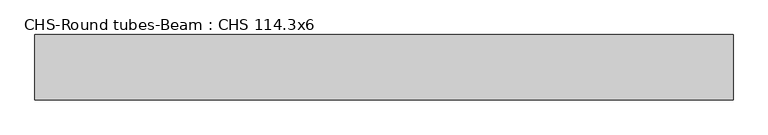
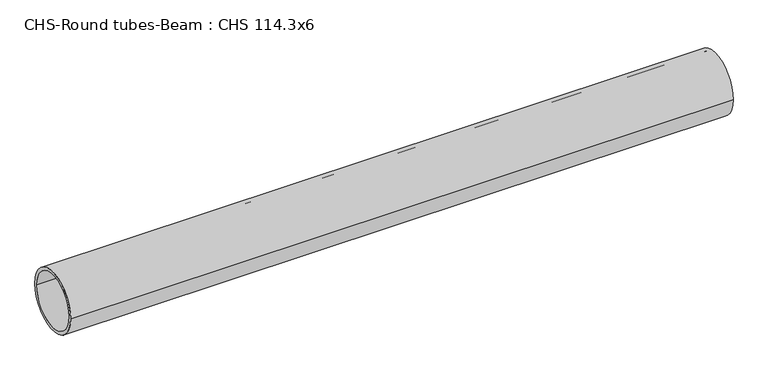
"""IFC4 building model written with IfcOpenShell, lengths in millimetres: beam geometry, CHS-Round tubes-Beam : CHS 114.3x6."""

import ifcopenshell
import ifcopenshell.guid

model = None  # the IFC model being written
_history = None  # IfcOwnerHistory: only IFC2X3 demands one
_inside = {}  # id of a spatial element -> (the spatial element, [elements in it])
_under = {}  # id of a project, library or spatial element -> (it, [spatial elements below it])
_declared = {}  # id of a project -> (the project, [libraries it declares])
_typed = {}  # id of a type object -> (the type object, [elements of that type])
_made_of = {}  # id of a material, layer set ... -> (it, [elements and type objects made of it])


def new_model(schema):
    """Start an empty IFC model of exactly this schema.

    Asked for "IFC4X3", IfcOpenShell would pick the latest addendum, in which some entities
    have other attributes; the version numbers below select the first issue.
    IFC2X3 requires an IfcOwnerHistory on every rooted entity: one is made here for all.
    """
    global model, _history
    if schema == "IFC4X3":
        model = ifcopenshell.file(schema_version=(4, 3, 0, 0))
    else:
        model = ifcopenshell.file(schema=schema)
    _inside.clear()
    _under.clear()
    _declared.clear()
    _typed.clear()
    _made_of.clear()
    _history = None
    if model.schema == "IFC2X3":
        org = make("IfcOrganization", Name="unknown")
        user = make(
            "IfcPersonAndOrganization",
            ThePerson=make("IfcPerson", FamilyName="unknown"),
            TheOrganization=org,
        )
        app = make(
            "IfcApplication",
            ApplicationDeveloper=org,
            Version="unknown",
            ApplicationFullName="unknown",
            ApplicationIdentifier="unknown",
        )
        _history = make(
            "IfcOwnerHistory",
            OwningUser=user,
            OwningApplication=app,
            ChangeAction="ADDED",
            CreationDate=0,
        )
    return model


def make(cls, **values):
    """One entity of the class cls with the attributes given. An attribute that is None is left unset."""
    return model.create_entity(
        cls, **{name: value for name, value in values.items() if value is not None}
    )


def rooted(cls, **values):
    """An entity with a GlobalId (a new one), such as an element, a storey or a relation."""
    return make(cls, GlobalId=ifcopenshell.guid.new(), OwnerHistory=_history, **values)


def si_unit(unit_type, name, prefix=None):
    """IfcSIUnit, for example si_unit("LENGTHUNIT", "METRE", prefix="MILLI")."""
    return make("IfcSIUnit", UnitType=unit_type, Prefix=prefix, Name=name)


def assignment(units):
    """IfcUnitAssignment: the units of a project."""
    return None if units is None else make("IfcUnitAssignment", Units=units)


def point(xyz):
    """IfcCartesianPoint."""
    return None if xyz is None else make("IfcCartesianPoint", Coordinates=xyz)


def direction(xyz):
    """IfcDirection."""
    return None if xyz is None else make("IfcDirection", DirectionRatios=xyz)


def frame(location, z_axis=None, x_axis=None):
    """IfcAxis2Placement3D, a coordinate frame: its origin and axes. An axis left out is left unset."""
    return make(
        "IfcAxis2Placement3D",
        Location=point(location),
        Axis=direction(z_axis),
        RefDirection=direction(x_axis),
    )


def frame_2d(location, x_axis=None):
    """IfcAxis2Placement2D, a coordinate frame in the plane: its origin and x axis."""
    return make(
        "IfcAxis2Placement2D", Location=point(location), RefDirection=direction(x_axis)
    )


def origin():
    """The frame at (0, 0, 0) with its axes left unset."""
    return frame((0.0, 0.0, 0.0))


def origin_2d():
    """The frame at (0, 0) in the plane with its x axis left unset."""
    return frame_2d((0.0, 0.0))


def place(relative_to, where):
    """IfcLocalPlacement: puts the frame where relative to a parent placement (None: the world)."""
    return make(
        "IfcLocalPlacement", PlacementRelTo=relative_to, RelativePlacement=where
    )


def context(
    kind, dimensions, precision=None, world=None, true_north=None, identifier=None
):
    """IfcGeometricRepresentationContext, for example the 3D "Model" context."""
    return make(
        "IfcGeometricRepresentationContext",
        ContextIdentifier=identifier,
        ContextType=kind,
        CoordinateSpaceDimension=dimensions,
        Precision=precision,
        WorldCoordinateSystem=world,
        TrueNorth=true_north,
    )


def project(units=None, contexts=None):
    """IfcProject with its units and contexts."""
    return rooted(
        "IfcProject",
        Name="project",
        RepresentationContexts=contexts,
        UnitsInContext=assignment(units),
    )


def spatial(cls, under=None, at=None, **own):
    """A site, building, storey or space (cls), placed at a placement, below another one or the project."""
    s = rooted(cls, ObjectPlacement=at, **own)
    if under is not None:
        _under.setdefault(under.id(), (under, []))[1].append(s)
    return s


def circle_curve(where, radius):
    """IfcCircle in the frame where."""
    return make("IfcCircle", Position=where, Radius=radius)


def trimmed(basis, trim1, trim2, sense, master):
    """IfcTrimmedCurve: the piece of a basis curve between two trims."""
    return make(
        "IfcTrimmedCurve",
        BasisCurve=basis,
        Trim1=trim1,
        Trim2=trim2,
        SenseAgreement=sense,
        MasterRepresentation=master,
    )


def segment(curve, same_sense, transition):
    """IfcCompositeCurveSegment."""
    return make(
        "IfcCompositeCurveSegment",
        Transition=transition,
        SameSense=same_sense,
        ParentCurve=curve,
    )


def composite_curve(segments, self_intersect=None):
    """IfcCompositeCurve: segments joined end to end."""
    return make("IfcCompositeCurve", Segments=segments, SelfIntersect=self_intersect)


def outline(outer, holes=None, kind="AREA"):
    """IfcArbitraryClosedProfileDef: a profile drawn as a closed curve; with holes, ...WithVoids."""
    if holes is None:
        return make("IfcArbitraryClosedProfileDef", ProfileType=kind, OuterCurve=outer)
    return make(
        "IfcArbitraryProfileDefWithVoids",
        ProfileType=kind,
        OuterCurve=outer,
        InnerCurves=holes,
    )


def extrude(swept, where, along, depth):
    """IfcExtrudedAreaSolid: the profile swept, set in the frame where, extruded along a direction by depth."""
    return make(
        "IfcExtrudedAreaSolid",
        SweptArea=swept,
        Position=where,
        ExtrudedDirection=direction(along),
        Depth=depth,
    )


def shape(context_of_items, identifier, shape_type, items):
    """IfcShapeRepresentation: the items that make up one representation, for example the "Body"."""
    return make(
        "IfcShapeRepresentation",
        ContextOfItems=context_of_items,
        RepresentationIdentifier=identifier,
        RepresentationType=shape_type,
        Items=items,
    )


def source(mapping_origin, context_of_items, identifier, shape_type, items):
    """IfcRepresentationMap: a shape defined once, which mapped items show again and again."""
    return make(
        "IfcRepresentationMap",
        MappingOrigin=mapping_origin,
        MappedRepresentation=shape(context_of_items, identifier, shape_type, items),
    )


def transform(
    local_origin,
    x_axis=None,
    y_axis=None,
    z_axis=None,
    scale=None,
    scale2=None,
    scale3=None,
    uniform=True,
):
    """IfcCartesianTransformationOperator3D, or its non-uniform kind. x_axis, y_axis, z_axis: its Axis1, 2, 3."""
    if uniform:
        return make(
            "IfcCartesianTransformationOperator3D",
            Axis1=direction(x_axis),
            Axis2=direction(y_axis),
            LocalOrigin=point(local_origin),
            Scale=scale,
            Axis3=direction(z_axis),
        )
    return make(
        "IfcCartesianTransformationOperator3DnonUniform",
        Axis1=direction(x_axis),
        Axis2=direction(y_axis),
        LocalOrigin=point(local_origin),
        Scale=scale,
        Axis3=direction(z_axis),
        Scale2=scale2,
        Scale3=scale3,
    )


def mapped(mapping_source, mapping_target):
    """IfcMappedItem: shows the shape of a source again, moved by a transform."""
    return make(
        "IfcMappedItem", MappingSource=mapping_source, MappingTarget=mapping_target
    )


def made_of(thing, what):
    """Note that an element or type object is made of a material, layer set ...; save() writes the relation."""
    if what is not None:
        _made_of.setdefault(what.id(), (what, []))[1].append(thing)
    return thing


def element(
    cls,
    number,
    at=None,
    inside=None,
    cuts=None,
    type_object=None,
    material=None,
    context=None,
    identifier="Body",
    shape_type=None,
    held_by="IfcProductDefinitionShape",
    body=None,
    shapes=None,
    **own,
):
    """One element of the class cls, such as IfcWall. Its Tag is "e" and its number.

    at: its placement. inside: the storey or other place that contains it. cuts: it is an
    opening in that element (IfcRelVoidsElement). A single representation is given by context,
    identifier, shape_type and body (its items); several are given by shapes. held_by: the class
    of the entity that holds the representations. save() writes the other relations.
    """
    e = rooted(cls, Tag="e%d" % number, ObjectPlacement=at, **own)
    if body is not None:
        shapes = [shape(context, identifier, shape_type, body)]
    if shapes is not None:
        e.Representation = make(held_by, Representations=shapes)
    if inside is not None:
        _inside.setdefault(inside.id(), (inside, []))[1].append(e)
    if cuts is not None:
        rooted(
            "IfcRelVoidsElement", RelatingBuildingElement=cuts, RelatedOpeningElement=e
        )
    if type_object is not None:
        _typed.setdefault(type_object.id(), (type_object, []))[1].append(e)
    return made_of(e, material)


def aggregate(whole, parts):
    """IfcRelAggregates: a whole, such as a stair, and the parts it consists of."""
    return rooted("IfcRelAggregates", RelatingObject=whole, RelatedObjects=parts)


def save(model, path):
    """Write the relations noted so far, then the file.

    IfcRelAggregates (storeys below a building ...), IfcRelContainedInSpatialStructure (elements
    in a storey), IfcRelDefinesByType, IfcRelAssociatesMaterial and IfcRelDeclares: one each for
    every whole, place, type object, material and project.
    """
    for whole, parts in _under.values():
        aggregate(whole, parts)
    for where, things in _inside.values():
        rooted(
            "IfcRelContainedInSpatialStructure",
            RelatedElements=things,
            RelatingStructure=where,
        )
    for kind, things in _typed.values():
        rooted("IfcRelDefinesByType", RelatedObjects=things, RelatingType=kind)
    for what, things in _made_of.values():
        rooted("IfcRelAssociatesMaterial", RelatedObjects=things, RelatingMaterial=what)
    for by, libraries in _declared.values():
        rooted("IfcRelDeclares", RelatingContext=by, RelatedDefinitions=libraries)
    model.write(path)


def chs_round_tubes_beam_chs_114_3x6_69ccb03f(model_context):
    return source(origin(), model_context, "Body", "SweptSolid", [
        extrude(outline(composite_curve([segment(trimmed(circle_curve(origin_2d(), 57.15), [point((57.15, 0.0))], [point((-57.15, 0.0))], False, "CARTESIAN"), True, "CONTINUOUS"), segment(trimmed(circle_curve(origin_2d(), 57.15), [point((-57.15, 0.0))], [point((57.15, 0.0))], False, "CARTESIAN"), True, "CONTINUOUS")], self_intersect=False), holes=[composite_curve([segment(trimmed(circle_curve(origin_2d(), 51.15), [point((51.15, 0.0))], [point((-51.15, 0.0))], True, "CARTESIAN"), True, "CONTINUOUS"), segment(trimmed(circle_curve(origin_2d(), 51.15), [point((-51.15, 0.0))], [point((51.15, 0.0))], True, "CARTESIAN"), True, "CONTINUOUS")], self_intersect=False)]), frame((-636.2126714, 0.0, 0.0), z_axis=(1.0, 0.0, 0.0), x_axis=(0.0, 1.0, 0.0)), (0.0, 0.0, 1.0), 1222.3270627),
    ])


if __name__ == "__main__":
    model = new_model("IFC4")
    model_context = context("Model", 3, world=origin())
    ifc_project = project(units=[si_unit("LENGTHUNIT", "METRE", prefix="MILLI")], contexts=[model_context])
    site = spatial("IfcSite", under=ifc_project)
    building = spatial("IfcBuilding", under=site)
    placement = place(None, origin())
    chs_round_tubes_beam_chs_114_3x6_shape = chs_round_tubes_beam_chs_114_3x6_69ccb03f(model_context)
    element("IfcBeam", 1, ObjectType="CHS-Round tubes-Beam : CHS 114.3x6", at=placement, inside=building, context=model_context, shape_type="MappedRepresentation", body=[
        mapped(chs_round_tubes_beam_chs_114_3x6_shape, transform((0.0, 0.0, 0.0), x_axis=(1.0, 0.0, 0.0), y_axis=(0.0, 1.0, 0.0), z_axis=(0.0, 0.0, 1.0))),
    ])
    save(model, "model.ifc")
